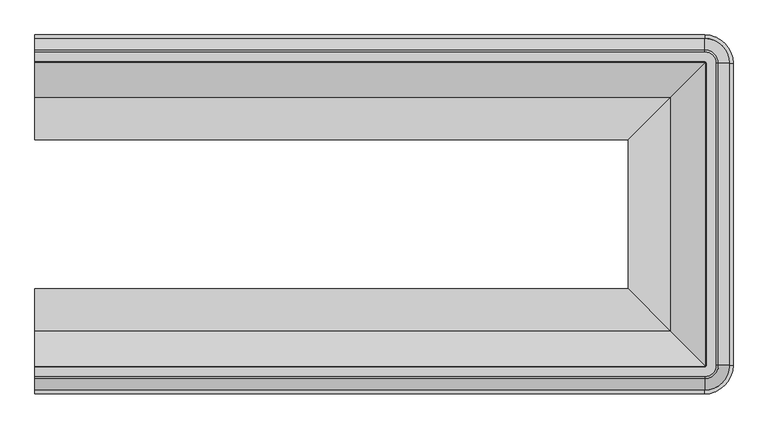
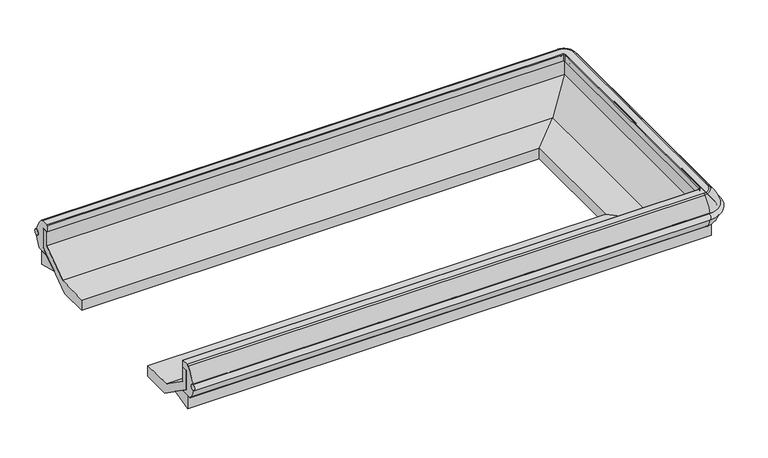
"""IFC4 building model written with IfcOpenShell, lengths in millimetres: proxy geometry."""

from ifc_helpers import new_model, si_unit, point, frame, origin, place, context, project, spatial, polyline, circle_curve, ellipse_curve, trimmed, faceted_brep, source, transform, mapped, element, save
from ifc_brep_helpers import plane_surface, cylinder_surface, revolved_surface, advanced_brep


def mechanical_equipment_90e347fb(model_context):
    return source(origin(), model_context, "Body", "SolidModel", [
        advanced_brep(
        [(0.0, -364.6063208, 602.1833335), (0.0, -367.261694, 567.3111181), (3041.7002227, -364.6063208, 602.1833335), (3041.7002227, -367.261694, 567.3111181), (3151.9829333, -477.5444046, 567.3111181), (3154.6383065, -477.5444046, 602.1833335), (3154.6383065, -1849.24485, 602.1833335), (3151.9829333, -1849.24485, 567.3111181), (3041.7002227, -1959.5275606, 567.3111181), (3041.7002227, -1962.1829338, 602.1833335), (0.0, -1962.1829338, 602.1833335), (0.0, -1959.5275606, 567.3111181)],
        [
            (0, 1, circle_curve(frame((0.0, -366.1293194, 584.762098), z_axis=(-1.0, 0.0, 0.0), x_axis=(0.0, 1.0, 0.0)), 17.4876806)),
            (1, 0, circle_curve(frame((0.0, -366.2319692, 584.7699144), z_axis=(-1.0, 0.0, 0.0), x_axis=(0.0, 1.0, 0.0)), 17.4891366)),
            (0, 2),
            (2, 3, circle_curve(frame((3041.7002227, -366.1293194, 584.762098), z_axis=(-1.0, 0.0, 0.0), x_axis=(0.0, 1.0, 0.0)), 17.4876806)),
            (3, 1),
            (3, 2, circle_curve(frame((3041.7002227, -366.2319692, 584.7699144), z_axis=(-1.0, 0.0, 0.0), x_axis=(0.0, 1.0, 0.0)), 17.4891366)),
            (4, 3, circle_curve(frame((3041.7002227, -477.5444046, 567.3111181), z_axis=(0.0, 0.0, 1.0), x_axis=(0.0, 1.0, 0.0)), 110.2827105)),
            (2, 5, circle_curve(frame((3041.7002227, -477.5444046, 602.1833335), z_axis=(0.0, 0.0, -1.0), x_axis=(0.0, 1.0, 0.0)), 112.9380838)),
            (5, 4, circle_curve(frame((3153.1153079, -477.5444046, 584.762098), z_axis=(0.0, 1.0, 0.0), x_axis=(1.0, 0.0, 0.0)), 17.4876806)),
            (4, 5, circle_curve(frame((3153.0126581, -477.5444046, 584.7699144), z_axis=(0.0, 1.0, 0.0), x_axis=(1.0, 0.0, 0.0)), 17.4891366)),
            (5, 6),
            (6, 7, circle_curve(frame((3153.1153079, -1849.24485, 584.762098), z_axis=(0.0, 1.0, 0.0), x_axis=(1.0, 0.0, 0.0)), 17.4876806)),
            (7, 4),
            (7, 6, circle_curve(frame((3153.0126581, -1849.24485, 584.7699144), z_axis=(0.0, 1.0, 0.0), x_axis=(1.0, 0.0, 0.0)), 17.4891366)),
            (8, 7, circle_curve(frame((3041.7002227, -1849.24485, 567.3111181), z_axis=(0.0, 0.0, 1.0), x_axis=(1.0, 0.0, 0.0)), 110.2827105)),
            (6, 9, circle_curve(frame((3041.7002227, -1849.24485, 602.1833335), z_axis=(0.0, 0.0, -1.0), x_axis=(1.0, 0.0, 0.0)), 112.9380838)),
            (9, 8, circle_curve(frame((3041.7002227, -1960.6599352, 584.762098), z_axis=(1.0, 0.0, 0.0), x_axis=(0.0, -1.0, 0.0)), 17.4876806)),
            (8, 9, circle_curve(frame((3041.7002227, -1960.5572854, 584.7699144), z_axis=(1.0, 0.0, 0.0), x_axis=(0.0, -1.0, 0.0)), 17.4891366)),
            (10, 11, circle_curve(frame((0.0, -1960.5572854, 584.7699144), z_axis=(-1.0, 0.0, 0.0), x_axis=(0.0, -1.0, 0.0)), 17.4891366)),
            (11, 10, circle_curve(frame((0.0, -1960.6599352, 584.762098), z_axis=(-1.0, 0.0, 0.0), x_axis=(0.0, -1.0, 0.0)), 17.4876806)),
            (9, 10),
            (11, 8),
        ],
        [
            plane_surface(frame((0.0, -401.3444046, 0.0), z_axis=(-1.0, 0.0, 0.0), x_axis=(0.0, 0.0, 1.0))),
            cylinder_surface(frame((0.0, -366.1293194, 584.762098), z_axis=(-1.0, 0.0, 0.0), x_axis=(0.0, 1.0, 0.0)), 17.4876806),
            cylinder_surface(frame((0.0, -366.2319692, 584.7699144), z_axis=(-1.0, 0.0, 0.0), x_axis=(0.0, 1.0, 0.0)), 17.4891366),
            revolved_surface(trimmed(ellipse_curve(frame((3041.7002227, -366.1293194, 584.762098), z_axis=(-1.0, 0.0, 0.0), x_axis=(0.0, 1.0, 0.0)), 17.4876806, 17.4876806), [point((3041.7002227, -364.6063208, 602.1833335))], [point((3041.7002227, -367.261694, 567.3111181))], True, "CARTESIAN"), (3041.7002227, -477.5444046, 0.0), (0.0, 0.0, -1.0)),
            revolved_surface(trimmed(ellipse_curve(frame((3041.7002227, -366.2319692, 584.7699144), z_axis=(-1.0, 0.0, 0.0), x_axis=(0.0, 1.0, 0.0)), 17.4891366, 17.4891366), [point((3041.7002227, -367.261694, 567.3111181))], [point((3041.7002227, -364.6063208, 602.1833335))], True, "CARTESIAN"), (3041.7002227, -477.5444046, 0.0), (0.0, 0.0, -1.0)),
            cylinder_surface(frame((3153.1153079, -477.5444046, 584.762098), z_axis=(0.0, 1.0, 0.0), x_axis=(1.0, 0.0, 0.0)), 17.4876806),
            cylinder_surface(frame((3153.0126581, -477.5444046, 584.7699144), z_axis=(0.0, 1.0, 0.0), x_axis=(1.0, 0.0, 0.0)), 17.4891366),
            revolved_surface(trimmed(ellipse_curve(frame((3153.1153079, -1849.24485, 584.762098), z_axis=(0.0, 1.0, 0.0), x_axis=(1.0, 0.0, 0.0)), 17.4876806, 17.4876806), [point((3154.6383065, -1849.24485, 602.1833335))], [point((3151.9829333, -1849.24485, 567.3111181))], True, "CARTESIAN"), (3041.7002227, -1849.24485, 0.0), (0.0, 0.0, -1.0)),
            revolved_surface(trimmed(ellipse_curve(frame((3153.0126581, -1849.24485, 584.7699144), z_axis=(0.0, 1.0, 0.0), x_axis=(1.0, 0.0, 0.0)), 17.4891366, 17.4891366), [point((3151.9829333, -1849.24485, 567.3111181))], [point((3154.6383065, -1849.24485, 602.1833335))], True, "CARTESIAN"), (3041.7002227, -1849.24485, 0.0), (0.0, 0.0, -1.0)),
            plane_surface(frame((0.0, -1925.44485, 0.0), z_axis=(-1.0, 0.0, 0.0), x_axis=(0.0, 0.0, 1.0))),
            cylinder_surface(frame((3041.7002227, -1960.6599352, 584.762098), z_axis=(1.0, 0.0, 0.0), x_axis=(0.0, -1.0, 0.0)), 17.4876806),
            cylinder_surface(frame((3041.7002227, -1960.5572854, 584.7699144), z_axis=(1.0, 0.0, 0.0), x_axis=(0.0, -1.0, 0.0)), 17.4891366),
        ],
        [
            (0, [[1, 2]]),
            (1, [[-1, 3, 4, 5]]),
            (2, [[-2, -5, 6, -3]]),
            (3, [[7, -4, 8, 9]]),
            (4, [[-8, -6, -7, 10]]),
            (5, [[-9, 11, 12, 13]]),
            (6, [[-10, -13, 14, -11]]),
            (7, [[15, -12, 16, 17]]),
            (8, [[-16, -14, -15, 18]]),
            (9, [[19, 20]]),
            (10, [[-17, 21, -20, 22]]),
            (11, [[-18, -22, -19, -21]]),
        ],
    ),
        advanced_brep(
        [(0.0, -1932.3707266, 504.5515988), (0.0, -1962.3625666, 567.3742005), (0.0, -1962.1955312, 602.1821529), (0.0, -1911.1133562, 687.1369709), (0.0, -1900.315694, 691.368246), (0.0, -1857.7448417, 691.368246), (0.0, -1854.5728881, 688.1962924), (0.0, -1854.5728881, 649.6873876), (0.0, -1894.6056438, 649.6873876), (0.0, -1894.6056438, 529.929056), (0.0, -1855.3824045, 502.405218), (0.0, -1927.6069109, 502.405218), (3041.7002227, -1932.3707266, 504.5515988), (3041.7002227, -1962.3625666, 567.3742005), (3041.7002227, -1962.1955312, 602.1821529), (3041.7002227, -1911.1133562, 687.1369709), (3041.7002227, -1900.315694, 691.368246), (3092.7710667, -1849.24485, 691.368246), (3092.7710667, -477.5444046, 691.368246), (3041.7002227, -426.4735606, 691.368246), (0.0, -426.4735606, 691.368246), (0.0, -469.0444129, 691.368246), (3041.7002227, -469.0444129, 691.368246), (3050.2002144, -477.5444046, 691.368246), (3050.2002144, -1849.24485, 691.368246), (3041.7002227, -1857.7448417, 691.368246), (3041.7002227, -1854.5728881, 688.1962924), (3041.7002227, -1854.5728881, 649.6873876), (3047.0282608, -1849.24485, 649.6873876), (3047.0282608, -477.5444046, 649.6873876), (3041.7002227, -472.2163665, 649.6873876), (0.0, -472.2163665, 649.6873876), (0.0, -432.1836108, 649.6873876), (3041.7002227, -432.1836108, 649.6873876), (3087.0610165, -477.5444046, 649.6873876), (3087.0610165, -1849.24485, 649.6873876), (3041.7002227, -1894.6056438, 649.6873876), (3041.7002227, -1894.6056438, 529.929056), (3041.7002227, -1855.3824045, 502.405218), (3041.7002227, -1927.6069109, 502.4019738), (3154.8179393, -1849.24485, 567.3742005), (3124.8260993, -1849.24485, 504.5515988), (3154.6509039, -1849.24485, 602.1821529), (3103.5687289, -1849.24485, 687.1369709), (3047.0282608, -1849.24485, 688.1962924), (3087.0610165, -1849.24485, 529.929056), (3047.8377772, -1849.24485, 502.405218), (3120.0622836, -1849.24485, 502.4019738), (3124.8260993, -477.5444046, 504.5515988), (3154.8179393, -477.5444046, 567.3742005), (3154.6509039, -477.5444046, 602.1821529), (3103.5687289, -477.5444046, 687.1369709), (3047.0282608, -477.5444046, 688.1962924), (3087.0610165, -477.5444046, 529.929056), (3047.8377772, -477.5444046, 502.405218), (3120.0622836, -477.5444046, 502.4019738), (3041.7002227, -364.426688, 567.3742005), (3041.7002227, -394.418528, 504.5515988), (3041.7002227, -364.5937234, 602.1821529), (3041.7002227, -415.6758984, 687.1369709), (3041.7002227, -472.2163665, 688.1962924), (3041.7002227, -432.1836108, 529.929056), (3041.7002227, -471.4068501, 502.405218), (3041.7002227, -399.1823437, 502.4019738), (0.0, -394.418528, 504.5515988), (0.0, -399.1823437, 502.4019738), (0.0, -471.4068501, 502.405218), (0.0, -432.1836108, 529.929056), (0.0, -472.2163665, 688.1962924), (0.0, -415.6758984, 687.1369709), (0.0, -364.5937234, 602.1821529), (0.0, -364.426688, 567.3742005)],
        [
            (0, 1, circle_curve(frame((0.0, -1837.1426231, 588.5844274), z_axis=(-1.0, 0.0, 0.0), x_axis=(0.0, 1.0, 0.0)), 127.0035747)),
            (1, 2, circle_curve(frame((0.0, -1960.5572854, 584.7699144), z_axis=(1.0, 0.0, 0.0), x_axis=(0.0, 1.0, 0.0)), 17.4891366)),
            (2, 3, circle_curve(frame((0.0, -1790.3001749, 556.6587336), z_axis=(-1.0, 0.0, 0.0), x_axis=(0.0, 1.0, 0.0)), 177.8212451)),
            (3, 4, circle_curve(frame((0.0, -1900.315694, 675.4754956), z_axis=(-1.0, 0.0, 0.0), x_axis=(0.0, 1.0, 0.0)), 15.8927504)),
            (4, 5),
            (5, 6, circle_curve(frame((0.0, -1857.7448417, 688.1962924), z_axis=(-1.0, 0.0, 0.0), x_axis=(0.0, 1.0, 0.0)), 3.1719536)),
            (6, 7),
            (7, 8),
            (8, 9),
            (9, 10),
            (10, 11),
            (11, 0, circle_curve(frame((0.0, -1927.6069109, 508.7553674), z_axis=(-1.0, 0.0, 0.0), x_axis=(0.0, 1.0, 0.0)), 6.3533936)),
            (0, 12),
            (12, 13, circle_curve(frame((3041.7002227, -1837.1426231, 588.5844274), z_axis=(-1.0, 0.0, 0.0), x_axis=(0.0, 1.0, 0.0)), 127.0035747)),
            (13, 1),
            (13, 14, circle_curve(frame((3041.7002227, -1960.5572854, 584.7699144), z_axis=(1.0, 0.0, 0.0), x_axis=(0.0, 1.0, 0.0)), 17.4891366)),
            (14, 2),
            (14, 15, circle_curve(frame((3041.7002227, -1790.3001749, 556.6587336), z_axis=(-1.0, 0.0, 0.0), x_axis=(0.0, 1.0, 0.0)), 177.8212451)),
            (15, 3),
            (15, 16, circle_curve(frame((3041.7002227, -1900.315694, 675.4754956), z_axis=(-1.0, 0.0, 0.0), x_axis=(0.0, 1.0, 0.0)), 15.8927504)),
            (16, 4),
            (16, 17, circle_curve(frame((3041.7002227, -1849.24485, 691.368246), z_axis=(0.0, 0.0, 1.0), x_axis=(0.0, -1.0, 0.0)), 51.070844)),
            (17, 18),
            (18, 19, circle_curve(frame((3041.7002227, -477.5444046, 691.368246), z_axis=(0.0, 0.0, 1.0), x_axis=(1.0, 0.0, 0.0)), 51.070844)),
            (19, 20),
            (20, 21),
            (21, 22),
            (22, 23, circle_curve(frame((3041.7002227, -477.5444046, 691.368246), z_axis=(0.0, 0.0, -1.0), x_axis=(1.0, 0.0, 0.0)), 8.4999917)),
            (23, 24),
            (24, 25, circle_curve(frame((3041.7002227, -1849.24485, 691.368246), z_axis=(0.0, 0.0, -1.0), x_axis=(0.0, -1.0, 0.0)), 8.4999917)),
            (25, 5),
            (6, 26),
            (26, 27),
            (27, 7),
            (27, 28, circle_curve(frame((3041.7002227, -1849.24485, 649.6873876), z_axis=(0.0, 0.0, 1.0), x_axis=(0.0, -1.0, 0.0)), 5.3280381)),
            (28, 29),
            (29, 30, circle_curve(frame((3041.7002227, -477.5444046, 649.6873876), z_axis=(0.0, 0.0, 1.0), x_axis=(1.0, 0.0, 0.0)), 5.3280381)),
            (30, 31),
            (31, 32),
            (32, 33),
            (33, 34, circle_curve(frame((3041.7002227, -477.5444046, 649.6873876), z_axis=(0.0, 0.0, -1.0), x_axis=(1.0, 0.0, 0.0)), 45.3607938)),
            (34, 35),
            (35, 36, circle_curve(frame((3041.7002227, -1849.24485, 649.6873876), z_axis=(0.0, 0.0, -1.0), x_axis=(0.0, -1.0, 0.0)), 45.3607938)),
            (36, 8),
            (36, 37),
            (37, 9),
            (37, 38),
            (38, 10),
            (11, 39),
            (39, 12, circle_curve(frame((3041.7002227, -1927.6069109, 508.7553674), z_axis=(-1.0, 0.0, 0.0), x_axis=(0.0, 1.0, 0.0)), 6.3533936)),
            (40, 13, circle_curve(frame((3041.7002227, -1849.24485, 567.3742005), z_axis=(0.0, 0.0, -1.0), x_axis=(0.0, -1.0, 0.0)), 113.1177166)),
            (12, 41, circle_curve(frame((3041.7002227, -1849.24485, 504.5515988), z_axis=(0.0, 0.0, 1.0), x_axis=(0.0, -1.0, 0.0)), 83.1258766)),
            (41, 40, circle_curve(frame((3029.5979958, -1849.24485, 588.5844274), z_axis=(0.0, -1.0, 0.0), x_axis=(-1.0, 0.0, 0.0)), 127.0035747)),
            (42, 14, circle_curve(frame((3041.7002227, -1849.24485, 602.1821529), z_axis=(0.0, 0.0, -1.0), x_axis=(0.0, -1.0, 0.0)), 112.9506811)),
            (40, 42, circle_curve(frame((3153.0126581, -1849.24485, 584.7699144), z_axis=(0.0, 1.0, 0.0), x_axis=(-1.0, 0.0, 0.0)), 17.4891366)),
            (43, 15, circle_curve(frame((3041.7002227, -1849.24485, 687.1369709), z_axis=(0.0, 0.0, -1.0), x_axis=(0.0, -1.0, 0.0)), 61.8685062)),
            (42, 43, circle_curve(frame((2982.7555476, -1849.24485, 556.6587336), z_axis=(0.0, -1.0, 0.0), x_axis=(-1.0, 0.0, 0.0)), 177.8212451)),
            (43, 17, circle_curve(frame((3092.7710667, -1849.24485, 675.4754956), z_axis=(0.0, -1.0, 0.0), x_axis=(-1.0, 0.0, 0.0)), 15.8927504)),
            (26, 44, circle_curve(frame((3041.7002227, -1849.24485, 688.1962924), z_axis=(0.0, 0.0, 1.0), x_axis=(0.0, -1.0, 0.0)), 5.3280381)),
            (44, 28),
            (45, 37, circle_curve(frame((3041.7002227, -1849.24485, 529.929056), z_axis=(0.0, 0.0, -1.0), x_axis=(0.0, -1.0, 0.0)), 45.3607938)),
            (35, 45),
            (46, 38, circle_curve(frame((3041.7002227, -1849.24485, 502.405218), z_axis=(0.0, 0.0, -1.0), x_axis=(0.0, -1.0, 0.0)), 6.1375545)),
            (45, 46),
            (39, 47, circle_curve(frame((3041.7002227, -1849.24485, 502.4019738), z_axis=(0.0, 0.0, 1.0), x_axis=(0.0, -1.0, 0.0)), 78.3620609)),
            (47, 41, circle_curve(frame((3120.0622836, -1849.24485, 508.7553674), z_axis=(0.0, -1.0, 0.0), x_axis=(-1.0, 0.0, 0.0)), 6.3533936)),
            (41, 48),
            (48, 49, circle_curve(frame((3029.5979958, -477.5444046, 588.5844274), z_axis=(0.0, -1.0, 0.0), x_axis=(-1.0, 0.0, 0.0)), 127.0035747)),
            (49, 40),
            (49, 50, circle_curve(frame((3153.0126581, -477.5444046, 584.7699144), z_axis=(0.0, 1.0, 0.0), x_axis=(-1.0, 0.0, 0.0)), 17.4891366)),
            (50, 42),
            (50, 51, circle_curve(frame((2982.7555476, -477.5444046, 556.6587336), z_axis=(0.0, -1.0, 0.0), x_axis=(-1.0, 0.0, 0.0)), 177.8212451)),
            (51, 43),
            (51, 18, circle_curve(frame((3092.7710667, -477.5444046, 675.4754956), z_axis=(0.0, -1.0, 0.0), x_axis=(-1.0, 0.0, 0.0)), 15.8927504)),
            (44, 52),
            (52, 29),
            (34, 53),
            (53, 45),
            (53, 54),
            (54, 46),
            (47, 55),
            (55, 48, circle_curve(frame((3120.0622836, -477.5444046, 508.7553674), z_axis=(0.0, -1.0, 0.0), x_axis=(-1.0, 0.0, 0.0)), 6.3533936)),
            (56, 49, circle_curve(frame((3041.7002227, -477.5444046, 567.3742005), z_axis=(0.0, 0.0, -1.0), x_axis=(1.0, 0.0, 0.0)), 113.1177166)),
            (48, 57, circle_curve(frame((3041.7002227, -477.5444046, 504.5515988), z_axis=(0.0, 0.0, 1.0), x_axis=(1.0, 0.0, 0.0)), 83.1258766)),
            (57, 56, circle_curve(frame((3041.7002227, -489.6466315, 588.5844274), z_axis=(1.0, 0.0, 0.0), x_axis=(0.0, -1.0, 0.0)), 127.0035747)),
            (58, 50, circle_curve(frame((3041.7002227, -477.5444046, 602.1821529), z_axis=(0.0, 0.0, -1.0), x_axis=(1.0, 0.0, 0.0)), 112.9506811)),
            (56, 58, circle_curve(frame((3041.7002227, -366.2319692, 584.7699144), z_axis=(-1.0, 0.0, 0.0), x_axis=(0.0, -1.0, 0.0)), 17.4891366)),
            (59, 51, circle_curve(frame((3041.7002227, -477.5444046, 687.1369709), z_axis=(0.0, 0.0, -1.0), x_axis=(1.0, 0.0, 0.0)), 61.8685062)),
            (58, 59, circle_curve(frame((3041.7002227, -536.4890797, 556.6587336), z_axis=(1.0, 0.0, 0.0), x_axis=(0.0, -1.0, 0.0)), 177.8212451)),
            (59, 19, circle_curve(frame((3041.7002227, -426.4735606, 675.4754956), z_axis=(1.0, 0.0, 0.0), x_axis=(0.0, -1.0, 0.0)), 15.8927504)),
            (52, 60, circle_curve(frame((3041.7002227, -477.5444046, 688.1962924), z_axis=(0.0, 0.0, 1.0), x_axis=(1.0, 0.0, 0.0)), 5.3280381)),
            (60, 30),
            (61, 53, circle_curve(frame((3041.7002227, -477.5444046, 529.929056), z_axis=(0.0, 0.0, -1.0), x_axis=(1.0, 0.0, 0.0)), 45.3607938)),
            (33, 61),
            (62, 54, circle_curve(frame((3041.7002227, -477.5444046, 502.405218), z_axis=(0.0, 0.0, -1.0), x_axis=(1.0, 0.0, 0.0)), 6.1375545)),
            (61, 62),
            (55, 63, circle_curve(frame((3041.7002227, -477.5444046, 502.4019738), z_axis=(0.0, 0.0, 1.0), x_axis=(1.0, 0.0, 0.0)), 78.3620609)),
            (63, 57, circle_curve(frame((3041.7002227, -399.1823437, 508.7553674), z_axis=(1.0, 0.0, 0.0), x_axis=(0.0, -1.0, 0.0)), 6.3533936)),
            (64, 65, circle_curve(frame((0.0, -399.1823437, 508.7553674), z_axis=(-1.0, 0.0, 0.0), x_axis=(0.0, -1.0, 0.0)), 6.3533936)),
            (65, 66),
            (66, 67),
            (67, 32),
            (31, 68),
            (68, 21, circle_curve(frame((0.0, -469.0444129, 688.1962924), z_axis=(-1.0, 0.0, 0.0), x_axis=(0.0, -1.0, 0.0)), 3.1719536)),
            (20, 69, circle_curve(frame((0.0, -426.4735606, 675.4754956), z_axis=(-1.0, 0.0, 0.0), x_axis=(0.0, -1.0, 0.0)), 15.8927504)),
            (69, 70, circle_curve(frame((0.0, -536.4890797, 556.6587336), z_axis=(-1.0, 0.0, 0.0), x_axis=(0.0, -1.0, 0.0)), 177.8212451)),
            (70, 71, circle_curve(frame((0.0, -366.2319692, 584.7699144), z_axis=(1.0, 0.0, 0.0), x_axis=(0.0, -1.0, 0.0)), 17.4891366)),
            (71, 64, circle_curve(frame((0.0, -489.6466315, 588.5844274), z_axis=(-1.0, 0.0, 0.0), x_axis=(0.0, -1.0, 0.0)), 127.0035747)),
            (57, 64),
            (71, 56),
            (70, 58),
            (69, 59),
            (60, 68),
            (67, 61),
            (66, 62),
            (63, 65),
            (26, 25, circle_curve(frame((3041.7002227, -1857.7448417, 688.1962924), z_axis=(1.0, 0.0, 0.0), x_axis=(0.0, 1.0, 0.0)), 3.1719536)),
            (24, 44, circle_curve(frame((3050.2002144, -1849.24485, 688.1962924), z_axis=(0.0, -1.0, 0.0), x_axis=(-1.0, 0.0, 0.0)), 3.1719536)),
            (23, 52, circle_curve(frame((3050.2002144, -477.5444046, 688.1962924), z_axis=(0.0, -1.0, 0.0), x_axis=(-1.0, 0.0, 0.0)), 3.1719536)),
            (22, 60, circle_curve(frame((3041.7002227, -469.0444129, 688.1962924), z_axis=(1.0, 0.0, 0.0), x_axis=(0.0, -1.0, 0.0)), 3.1719536)),
        ],
        [
            plane_surface(frame((0.0, -1925.44485, 0.0), z_axis=(-1.0, 0.0, 0.0), x_axis=(0.0, 0.0, 1.0))),
            cylinder_surface(frame((0.0, -1837.1426231, 588.5844274), z_axis=(-1.0, 0.0, 0.0), x_axis=(0.0, 1.0, 0.0)), 127.0035747),
            revolved_surface(polyline([(3041.7002227, -1943.0681488, 584.7699144), (0.0, -1943.0681488, 584.7699144)]), (0.0, -1960.5572854, 584.7699144), (1.0, 0.0, 0.0)),
            cylinder_surface(frame((0.0, -1790.3001749, 556.6587336), z_axis=(-1.0, 0.0, 0.0), x_axis=(0.0, 1.0, 0.0)), 177.8212451),
            cylinder_surface(frame((0.0, -1900.315694, 675.4754956), z_axis=(-1.0, 0.0, 0.0), x_axis=(0.0, 1.0, 0.0)), 15.8927504),
            plane_surface(frame((0.0, -1900.315694, 691.368246), z_axis=(0.0, 0.0, 1.0), x_axis=(1.0, 0.0, 0.0))),
            plane_surface(frame((0.0, -1854.5728881, 688.1962924), z_axis=(0.0, 1.0, 0.0), x_axis=(1.0, 0.0, 0.0))),
            plane_surface(frame((0.0, -1854.5728881, 649.6873876), z_axis=(0.0, 0.0, -1.0), x_axis=(1.0, 0.0, 0.0))),
            plane_surface(frame((0.0, -1894.6056438, 649.6873876), z_axis=(0.0, 1.0, 0.0), x_axis=(1.0, 0.0, 0.0))),
            plane_surface(frame((0.0, -1894.6056438, 529.929056), z_axis=(0.0, 0.5744083781667253, 0.8185688823134388), x_axis=(1.0, 0.0, 0.0))),
            cylinder_surface(frame((0.0, -1927.6069109, 508.7553674), z_axis=(-1.0, 0.0, 0.0), x_axis=(0.0, 1.0, 0.0)), 6.3533936),
            revolved_surface(trimmed(ellipse_curve(frame((3041.7002227, -1837.1426231, 588.5844274), z_axis=(-1.0, 0.0, 0.0), x_axis=(0.0, 1.0, 0.0)), 127.0035747, 127.0035747), [point((3041.7002227, -1932.3707266, 504.5515988))], [point((3041.7002227, -1962.3625666, 567.3742005))], True, "CARTESIAN"), (3041.7002227, -1849.24485, 0.0), (0.0, 0.0, 1.0)),
            revolved_surface(trimmed(ellipse_curve(frame((3041.7002227, -1960.5572854, 584.7699144), z_axis=(1.0, 0.0, 0.0), x_axis=(0.0, 1.0, 0.0)), 17.4891366, 17.4891366), [point((3041.7002227, -1962.3625666, 567.3742005))], [point((3041.7002227, -1962.1955312, 602.1821529))], True, "CARTESIAN"), (3041.7002227, -1849.24485, 0.0), (0.0, 0.0, 1.0)),
            revolved_surface(trimmed(ellipse_curve(frame((3041.7002227, -1790.3001749, 556.6587336), z_axis=(-1.0, 0.0, 0.0), x_axis=(0.0, 1.0, 0.0)), 177.8212451, 177.8212451), [point((3041.7002227, -1962.1955312, 602.1821529))], [point((3041.7002227, -1911.1133562, 687.1369709))], True, "CARTESIAN"), (3041.7002227, -1849.24485, 0.0), (0.0, 0.0, 1.0)),
            revolved_surface(trimmed(ellipse_curve(frame((3041.7002227, -1900.315694, 675.4754956), z_axis=(-1.0, 0.0, 0.0), x_axis=(0.0, 1.0, 0.0)), 15.8927504, 15.8927504), [point((3041.7002227, -1911.1133562, 687.1369709))], [point((3041.7002227, -1900.315694, 691.368246))], True, "CARTESIAN"), (3041.7002227, -1849.24485, 0.0), (0.0, 0.0, 1.0)),
            revolved_surface(polyline([(3041.7002227, -1854.5728881, 688.1962924), (3041.7002227, -1854.5728881, 649.6873876)]), (3041.7002227, -1849.24485, 0.0), (0.0, 0.0, 1.0)),
            revolved_surface(polyline([(3041.7002227, -1894.6056438, 649.6873876), (3041.7002227, -1894.6056438, 529.929056)]), (3041.7002227, -1849.24485, 0.0), (0.0, 0.0, 1.0)),
            revolved_surface(polyline([(3041.7002227, -1894.6056438, 529.929056), (3041.7002227, -1855.3824045, 502.405218)]), (3041.7002227, -1849.24485, 0.0), (0.0, 0.0, 1.0)),
            revolved_surface(trimmed(ellipse_curve(frame((3041.7002227, -1927.6069109, 508.7553674), z_axis=(-1.0, 0.0, 0.0), x_axis=(0.0, 1.0, 0.0)), 6.3533936, 6.3533936), [point((3041.7002227, -1927.6069109, 502.4019738))], [point((3041.7002227, -1932.3707266, 504.5515988))], True, "CARTESIAN"), (3041.7002227, -1849.24485, 0.0), (0.0, 0.0, 1.0)),
            cylinder_surface(frame((3029.5979958, -1849.24485, 588.5844274), z_axis=(0.0, -1.0, 0.0), x_axis=(-1.0, 0.0, 0.0)), 127.0035747),
            revolved_surface(polyline([(3135.5235215, -477.5444046, 584.7699144), (3135.5235215, -1849.24485, 584.7699144)]), (3153.0126581, -1849.24485, 584.7699144), (0.0, 1.0, 0.0)),
            cylinder_surface(frame((2982.7555476, -1849.24485, 556.6587336), z_axis=(0.0, -1.0, 0.0), x_axis=(-1.0, 0.0, 0.0)), 177.8212451),
            cylinder_surface(frame((3092.7710667, -1849.24485, 675.4754956), z_axis=(0.0, -1.0, 0.0), x_axis=(-1.0, 0.0, 0.0)), 15.8927504),
            plane_surface(frame((3047.0282608, -1849.24485, 688.1962924), z_axis=(-1.0, 0.0, 0.0), x_axis=(0.0, 1.0, 0.0))),
            plane_surface(frame((3087.0610165, -1849.24485, 649.6873876), z_axis=(-1.0, 0.0, 0.0), x_axis=(0.0, 1.0, 0.0))),
            plane_surface(frame((3087.0610165, -1849.24485, 529.929056), z_axis=(-0.5744083781667253, 0.0, 0.8185688823134388), x_axis=(0.0, 1.0, 0.0))),
            cylinder_surface(frame((3120.0622836, -1849.24485, 508.7553674), z_axis=(0.0, -1.0, 0.0), x_axis=(-1.0, 0.0, 0.0)), 6.3533936),
            revolved_surface(trimmed(ellipse_curve(frame((3029.5979958, -477.5444046, 588.5844274), z_axis=(0.0, -1.0, 0.0), x_axis=(-1.0, 0.0, 0.0)), 127.0035747, 127.0035747), [point((3124.8260993, -477.5444046, 504.5515988))], [point((3154.8179393, -477.5444046, 567.3742005))], True, "CARTESIAN"), (3041.7002227, -477.5444046, 0.0), (0.0, 0.0, 1.0)),
            revolved_surface(trimmed(ellipse_curve(frame((3153.0126581, -477.5444046, 584.7699144), z_axis=(0.0, 1.0, 0.0), x_axis=(-1.0, 0.0, 0.0)), 17.4891366, 17.4891366), [point((3154.8179393, -477.5444046, 567.3742005))], [point((3154.6509039, -477.5444046, 602.1821529))], True, "CARTESIAN"), (3041.7002227, -477.5444046, 0.0), (0.0, 0.0, 1.0)),
            revolved_surface(trimmed(ellipse_curve(frame((2982.7555476, -477.5444046, 556.6587336), z_axis=(0.0, -1.0, 0.0), x_axis=(-1.0, 0.0, 0.0)), 177.8212451, 177.8212451), [point((3154.6509039, -477.5444046, 602.1821529))], [point((3103.5687289, -477.5444046, 687.1369709))], True, "CARTESIAN"), (3041.7002227, -477.5444046, 0.0), (0.0, 0.0, 1.0)),
            revolved_surface(trimmed(ellipse_curve(frame((3092.7710667, -477.5444046, 675.4754956), z_axis=(0.0, -1.0, 0.0), x_axis=(-1.0, 0.0, 0.0)), 15.8927504, 15.8927504), [point((3103.5687289, -477.5444046, 687.1369709))], [point((3092.7710667, -477.5444046, 691.368246))], True, "CARTESIAN"), (3041.7002227, -477.5444046, 0.0), (0.0, 0.0, 1.0)),
            revolved_surface(polyline([(3047.0282607999998, -477.5444046, 688.1962924), (3047.0282607999998, -477.5444046, 649.6873876)]), (3041.7002227, -477.5444046, 0.0), (0.0, 0.0, 1.0)),
            revolved_surface(polyline([(3087.0610165, -477.5444046, 649.6873876), (3087.0610165, -477.5444046, 529.929056)]), (3041.7002227, -477.5444046, 0.0), (0.0, 0.0, 1.0)),
            revolved_surface(polyline([(3087.0610165, -477.5444046, 529.929056), (3047.8377772, -477.5444046, 502.405218)]), (3041.7002227, -477.5444046, 0.0), (0.0, 0.0, 1.0)),
            revolved_surface(trimmed(ellipse_curve(frame((3120.0622836, -477.5444046, 508.7553674), z_axis=(0.0, -1.0, 0.0), x_axis=(-1.0, 0.0, 0.0)), 6.3533936, 6.3533936), [point((3120.0622836, -477.5444046, 502.4019738))], [point((3124.8260993, -477.5444046, 504.5515988))], True, "CARTESIAN"), (3041.7002227, -477.5444046, 0.0), (0.0, 0.0, 1.0)),
            plane_surface(frame((0.0, -401.3444046, 0.0), z_axis=(-1.0, 0.0, 0.0), x_axis=(0.0, 0.0, 1.0))),
            cylinder_surface(frame((3041.7002227, -489.6466315, 588.5844274), z_axis=(1.0, 0.0, 0.0), x_axis=(0.0, -1.0, 0.0)), 127.0035747),
            revolved_surface(polyline([(0.0, -383.7211058, 584.7699144), (3041.7002227, -383.7211058, 584.7699144)]), (3041.7002227, -366.2319692, 584.7699144), (-1.0, 0.0, 0.0)),
            cylinder_surface(frame((3041.7002227, -536.4890797, 556.6587336), z_axis=(1.0, 0.0, 0.0), x_axis=(0.0, -1.0, 0.0)), 177.8212451),
            cylinder_surface(frame((3041.7002227, -426.4735606, 675.4754956), z_axis=(1.0, 0.0, 0.0), x_axis=(0.0, -1.0, 0.0)), 15.8927504),
            plane_surface(frame((3041.7002227, -472.2163665, 688.1962924), z_axis=(0.0, -1.0, 0.0), x_axis=(-1.0, 0.0, 0.0))),
            plane_surface(frame((3041.7002227, -432.1836108, 649.6873876), z_axis=(0.0, -1.0, 0.0), x_axis=(-1.0, 0.0, 0.0))),
            plane_surface(frame((3041.7002227, -432.1836108, 529.929056), z_axis=(0.0, -0.5744083781667253, 0.8185688823134388), x_axis=(-1.0, 0.0, 0.0))),
            cylinder_surface(frame((3041.7002227, -399.1823437, 508.7553674), z_axis=(1.0, 0.0, 0.0), x_axis=(0.0, -1.0, 0.0)), 6.3533936),
            plane_surface(frame((0.0, -1855.3824045, 502.405218), z_axis=(0.0, 0.0, -1.0), x_axis=(1.0, 0.0, 0.0))),
            revolved_surface(trimmed(ellipse_curve(frame((3041.7002227, -1857.7448417, 688.1962924), z_axis=(-1.0, 0.0, 0.0), x_axis=(0.0, 1.0, 0.0)), 3.1719536, 3.1719536), [point((3041.7002227, -1857.7448417, 691.368246))], [point((3041.7002227, -1854.5728881, 688.1962924))], True, "CARTESIAN"), (3041.7002227, -1849.24485, 0.0), (0.0, 0.0, 1.0)),
            cylinder_surface(frame((3050.2002144, -1849.24485, 688.1962924), z_axis=(0.0, -1.0, 0.0), x_axis=(-1.0, 0.0, 0.0)), 3.1719536),
            revolved_surface(trimmed(ellipse_curve(frame((3050.2002144, -477.5444046, 688.1962924), z_axis=(0.0, -1.0, 0.0), x_axis=(-1.0, 0.0, 0.0)), 3.1719536, 3.1719536), [point((3050.2002144, -477.5444046, 691.368246))], [point((3047.0282608, -477.5444046, 688.1962924))], True, "CARTESIAN"), (3041.7002227, -477.5444046, 0.0), (0.0, 0.0, 1.0)),
            cylinder_surface(frame((3041.7002227, -469.0444129, 688.1962924), z_axis=(1.0, 0.0, 0.0), x_axis=(0.0, -1.0, 0.0)), 3.1719536),
            cylinder_surface(frame((0.0, -1857.7448417, 688.1962924), z_axis=(-1.0, 0.0, 0.0), x_axis=(0.0, 1.0, 0.0)), 3.1719536),
        ],
        [
            (0, [[1, 2, 3, 4, 5, 6, 7, 8, 9, 10, 11, 12]]),
            (1, [[-1, 13, 14, 15]]),
            (2, [[-2, -15, 16, 17]]),
            (3, [[-3, -17, 18, 19]]),
            (4, [[-4, -19, 20, 21]]),
            (5, [[-5, -21, 22, 23, 24, 25, 26, 27, 28, 29, 30, 31]]),
            (6, [[-7, 32, 33, 34]]),
            (7, [[-8, -34, 35, 36, 37, 38, 39, 40, 41, 42, 43, 44]]),
            (8, [[-9, -44, 45, 46]]),
            (9, [[-10, -46, 47, 48]]),
            (10, [[-12, 49, 50, -13]]),
            (11, [[51, -14, 52, 53]]),
            (12, [[54, -16, -51, 55]]),
            (13, [[56, -18, -54, 57]]),
            (14, [[-22, -20, -56, 58]]),
            (15, [[-35, -33, 59, 60]]),
            (16, [[61, -45, -43, 62]]),
            (17, [[63, -47, -61, 64]]),
            (18, [[-52, -50, 65, 66]]),
            (19, [[-53, 67, 68, 69]]),
            (20, [[-55, -69, 70, 71]]),
            (21, [[-57, -71, 72, 73]]),
            (22, [[-58, -73, 74, -23]]),
            (23, [[-60, 75, 76, -36]]),
            (24, [[-62, -42, 77, 78]]),
            (25, [[-64, -78, 79, 80]]),
            (26, [[-66, 81, 82, -67]]),
            (27, [[83, -68, 84, 85]]),
            (28, [[86, -70, -83, 87]]),
            (29, [[88, -72, -86, 89]]),
            (30, [[-24, -74, -88, 90]]),
            (31, [[-37, -76, 91, 92]]),
            (32, [[93, -77, -41, 94]]),
            (33, [[95, -79, -93, 96]]),
            (34, [[-84, -82, 97, 98]]),
            (35, [[99, 100, 101, 102, -39, 103, 104, -26, 105, 106, 107, 108]]),
            (36, [[-85, 109, -108, 110]]),
            (37, [[-87, -110, -107, 111]]),
            (38, [[-89, -111, -106, 112]]),
            (39, [[-90, -112, -105, -25]]),
            (40, [[-92, 113, -103, -38]]),
            (41, [[-94, -40, -102, 114]]),
            (42, [[-96, -114, -101, 115]]),
            (43, [[-98, 116, -99, -109]]),
            (44, [[-48, -63, -80, -95, -115, -100, -116, -97, -81, -65, -49, -11]]),
            (45, [[-59, 117, -30, 118]]),
            (46, [[-118, -29, 119, -75]]),
            (47, [[-91, -119, -28, 120]]),
            (48, [[-120, -27, -104, -113]]),
            (49, [[-6, -31, -117, -32]]),
        ],
    ),
        faceted_brep([(0.0, -1855.3777812, 502.405218), (0.0, -1781.4205446, 450.5138342), (0.0, -1906.609561, 418.2976265), (0.0, -1906.609561, 502.405218), (3083.645373, -1906.609561, 502.405218), (3083.645373, -420.1796936, 502.405218), (0.0, -420.1796936, 502.405218), (0.0, -471.4114734, 502.405218), (3032.4135932, -471.4114734, 502.405218), (3032.4135932, -1855.3777812, 502.405218), (2958.4563566, -1781.4205446, 450.5138342), (3083.645373, -1906.609561, 418.2976265), (2958.4563566, -545.36871, 450.5138342), (3083.645373, -420.1796936, 418.2976265), (0.0, -420.1796936, 418.2976265), (0.0, -545.36871, 450.5138342)], [[[0, 1, 2, 3]], [[0, 3, 4, 5, 6, 7, 8, 9]], [[1, 0, 9, 10]], [[2, 1, 10, 11]], [[10, 9, 8, 12]], [[11, 10, 12, 13]], [[7, 6, 14, 15]], [[12, 8, 7, 15]], [[13, 12, 15, 14]], [[3, 2, 11, 4]], [[4, 11, 13, 5]], [[5, 13, 14, 6]]]),
        faceted_brep([(0.0, -1673.36748, 374.65), (0.0, -1894.6056438, 529.8796301), (0.0, -1894.6056438, 649.6873876), (0.0, -1856.8739438, 649.6873876), (0.0, -1856.8739438, 561.0048878), (0.0, -1693.8123969, 446.8279354), (0.0, -1501.8470159, 439.7810985), (0.0, -1501.8470159, 374.65), (2865.8228527, -1673.36748, 374.65), (3087.0610165, -1894.6056438, 529.8796301), (3087.0610165, -1894.6056438, 649.6873876), (3087.0610165, -432.1836108, 649.6873876), (0.0, -432.1836108, 649.6873876), (0.0, -469.9153108, 649.6873876), (3049.3293165, -469.9153108, 649.6873876), (3049.3293165, -1856.8739438, 649.6873876), (3049.3293165, -1856.8739438, 561.0048878), (2886.2677696, -1693.8123969, 446.8279354), (2694.3023886, -1501.8470159, 439.7810985), (2694.3023886, -1501.8470159, 374.65), (2694.3023886, -824.9422387, 374.65), (0.0, -824.9422387, 374.65), (0.0, -653.4217746, 374.65), (2865.8228527, -653.4217746, 374.65), (3087.0610165, -432.1836108, 529.8796301), (3049.3293165, -469.9153108, 561.0048878), (2886.2677696, -632.9768577, 446.8279354), (2694.3023886, -824.9422387, 439.7810985), (0.0, -824.9422387, 439.7810985), (0.0, -632.9768577, 446.8279354), (0.0, -469.9153108, 561.0048878), (0.0, -432.1836108, 529.8796301)], [[[0, 1, 2, 3, 4, 5, 6, 7]], [[1, 0, 8, 9]], [[2, 1, 9, 10]], [[3, 2, 10, 11, 12, 13, 14, 15]], [[4, 3, 15, 16]], [[5, 4, 16, 17]], [[6, 5, 17, 18]], [[7, 6, 18, 19]], [[0, 7, 19, 20, 21, 22, 23, 8]], [[9, 8, 23, 24]], [[10, 9, 24, 11]], [[16, 15, 14, 25]], [[17, 16, 25, 26]], [[18, 17, 26, 27]], [[19, 18, 27, 20]], [[22, 21, 28, 29, 30, 13, 12, 31]], [[24, 23, 22, 31]], [[11, 24, 31, 12]], [[25, 14, 13, 30]], [[26, 25, 30, 29]], [[27, 26, 29, 28]], [[20, 27, 28, 21]]]),
    ])


if __name__ == "__main__":
    model = new_model("IFC4")
    model_context = context("Model", 3, world=origin())
    ifc_project = project(units=[si_unit("LENGTHUNIT", "METRE", prefix="MILLI")], contexts=[model_context])
    site = spatial("IfcSite", under=ifc_project)
    building = spatial("IfcBuilding", under=site)
    placement = place(None, origin())
    mechanical_equipment_shape = mechanical_equipment_90e347fb(model_context)
    element("IfcBuildingElementProxy", 1, Name="Mechanical Equipment", at=placement, inside=building, context=model_context, shape_type="MappedRepresentation", body=[
        mapped(mechanical_equipment_shape, transform((0.0, 0.0, 0.0), x_axis=(1.0, 0.0, 0.0), y_axis=(0.0, 1.0, 0.0), z_axis=(0.0, 0.0, 1.0))),
    ])
    save(model, "model.ifc")
